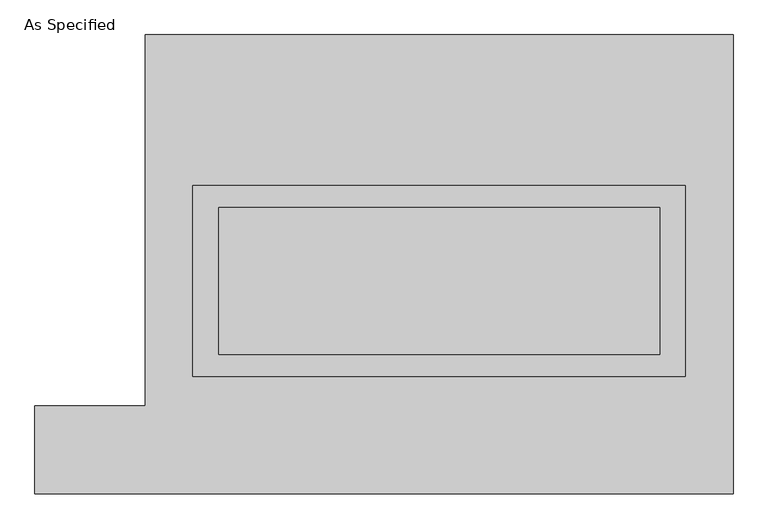
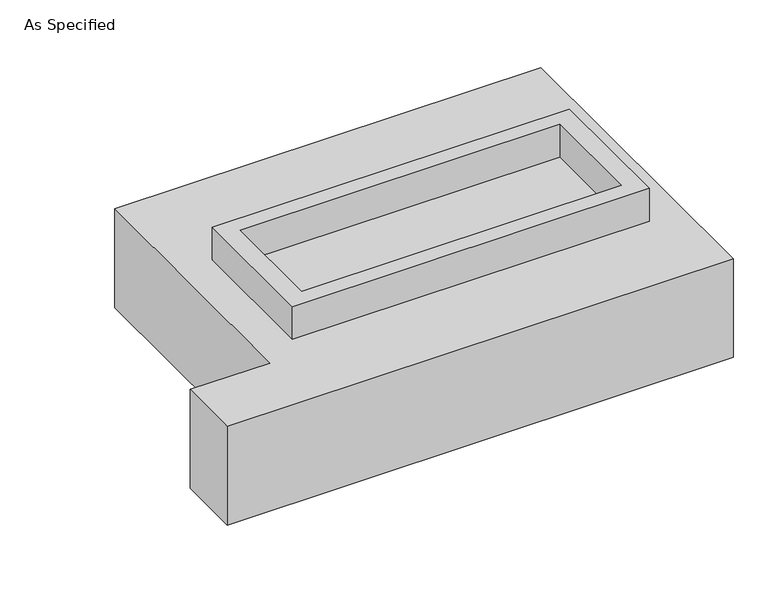
"""IFC4 building model written with IfcOpenShell, lengths in millimetres: proxy geometry, As Specified."""

from ifc_helpers import new_model, si_unit, frame, origin, place, context, project, spatial, polyline, outline, extrude, source, transform, mapped, element, save


def as_specified_e9872e72(model_context):
    return source(origin(), model_context, "Body", "SweptSolid", [
        extrude(outline(polyline([(850.9, 273.05), (850.9, -387.35), (-850.9, -387.35), (-850.9, 273.05), (850.9, 273.05)]), holes=[polyline([(762.0, 196.85), (-762.0, 196.85), (-762.0, -311.15), (762.0, -311.15), (762.0, 196.85)])]), frame((0.0, 0.0, -688.975), z_axis=(0.0, 0.0, 1.0), x_axis=(1.0, 0.0, 0.0)), (0.0, 0.0, 1.0), 165.1),
        extrude(outline(polyline([(850.9, 273.05), (850.9, -387.35), (-850.9, -387.35), (-850.9, 273.05), (850.9, 273.05)]), holes=[polyline([(762.0, 196.85), (-762.0, 196.85), (-762.0, -311.15), (762.0, -311.15), (762.0, 196.85)])]), frame((0.0, 0.0, -25.4), z_axis=(0.0, 0.0, 1.0), x_axis=(1.0, 0.0, 0.0)), (0.0, 0.0, 1.0), 165.1),
        extrude(outline(polyline([(762.0, 196.85), (762.0, -311.15), (-762.0, -311.15), (-762.0, 196.85), (762.0, 196.85)])), frame((0.0, 0.0, -523.875), z_axis=(0.0, 0.0, 1.0), x_axis=(1.0, 0.0, 0.0)), (0.0, 0.0, 1.0), 4.9609375),
        extrude(outline(polyline([(762.0, 196.85), (762.0, -311.15), (-762.0, -311.15), (-762.0, 196.85), (762.0, 196.85)])), frame((0.0, 0.0, -30.3609375), z_axis=(0.0, 0.0, 1.0), x_axis=(1.0, 0.0, 0.0)), (0.0, 0.0, 1.0), 4.9609375),
        extrude(outline(polyline([(-1016.0, 793.75), (1016.0, 793.75), (1016.0, -793.75), (-1397.0, -793.75), (-1397.0, -488.95), (-1016.0, -488.95), (-1016.0, 793.75)]), holes=[polyline([(-850.9, 273.05), (-850.9, -387.35), (850.9, -387.35), (850.9, 273.05), (-850.9, 273.05)])]), frame((0.0, 0.0, -523.875), z_axis=(0.0, 0.0, 1.0), x_axis=(1.0, 0.0, 0.0)), (0.0, 0.0, 1.0), 498.475),
    ])


if __name__ == "__main__":
    model = new_model("IFC4")
    model_context = context("Model", 3, world=origin())
    ifc_project = project(units=[si_unit("LENGTHUNIT", "METRE", prefix="MILLI")], contexts=[model_context])
    site = spatial("IfcSite", under=ifc_project)
    building = spatial("IfcBuilding", under=site)
    placement = place(None, origin())
    as_specified_shape = as_specified_e9872e72(model_context)
    element("IfcBuildingElementProxy", 1, Name="As Specified", ObjectType="As Specified", at=placement, inside=building, context=model_context, shape_type="MappedRepresentation", body=[
        mapped(as_specified_shape, transform((0.0, 0.0, 0.0), x_axis=(1.0, 0.0, 0.0), y_axis=(0.0, 1.0, 0.0), z_axis=(0.0, 0.0, 1.0))),
    ])
    save(model, "model.ifc")
